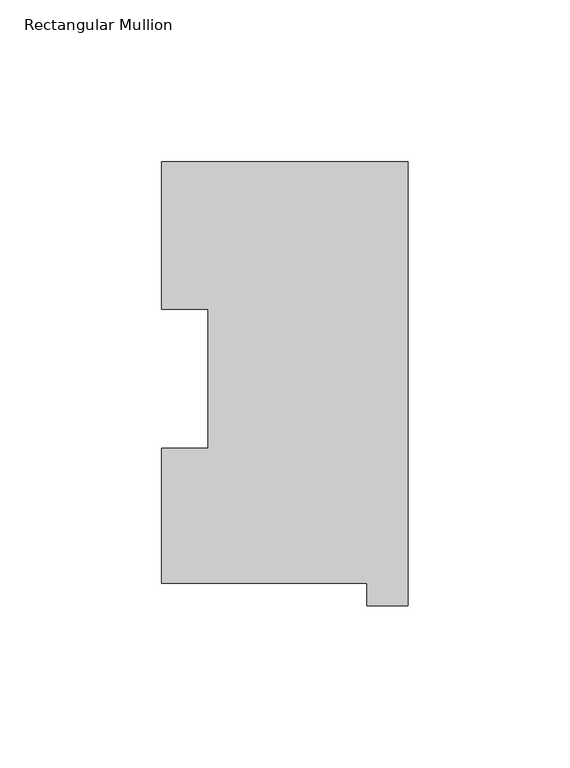
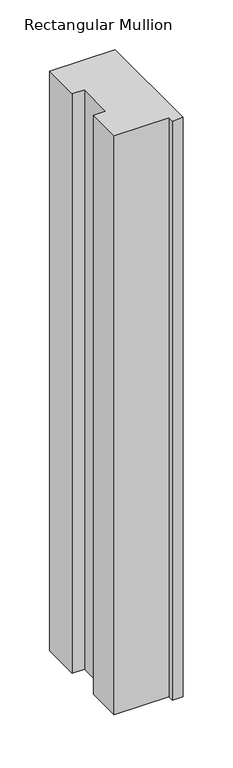
"""IFC4 building model written with IfcOpenShell, lengths in millimetres: member geometry, Rectangular Mullion."""

from ifc_helpers import new_model, si_unit, frame, origin, place, context, project, spatial, polyline, outline, extrude, source, transform, mapped, element, save


def rectangular_mullion_a35857ab(model_context):
    return source(origin(), model_context, "Body", "SweptSolid", [
        extrude(outline(polyline([(-76.2, 130.2646937), (0.0, 130.2646937), (0.0, -6.9461063), (-12.7, -6.9461063), (-12.7, -0.0373063), (-76.2, -0.0373063), (-76.2, 41.7508474), (-61.9101579, 41.7508474), (-61.9101579, 84.6335938), (-76.2, 84.6335938), (-76.2, 130.2646937)])), frame((0.0, 0.0, -711.2), z_axis=(0.0, 0.0, 1.0), x_axis=(1.0, 0.0, 0.0)), (0.0, 0.0, 1.0), 711.2),
    ])


if __name__ == "__main__":
    model = new_model("IFC4")
    model_context = context("Model", 3, world=origin())
    ifc_project = project(units=[si_unit("LENGTHUNIT", "METRE", prefix="MILLI")], contexts=[model_context])
    site = spatial("IfcSite", under=ifc_project)
    building = spatial("IfcBuilding", under=site)
    placement = place(None, origin())
    rectangular_mullion_shape = rectangular_mullion_a35857ab(model_context)
    element("IfcMember", 1, ObjectType="Rectangular Mullion", at=placement, inside=building, context=model_context, shape_type="MappedRepresentation", body=[
        mapped(rectangular_mullion_shape, transform((0.0, 0.0, 0.0), x_axis=(1.0, 0.0, 0.0), y_axis=(0.0, 1.0, 0.0), z_axis=(0.0, 0.0, 1.0))),
    ])
    save(model, "model.ifc")
